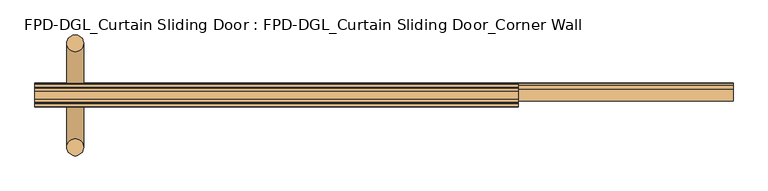
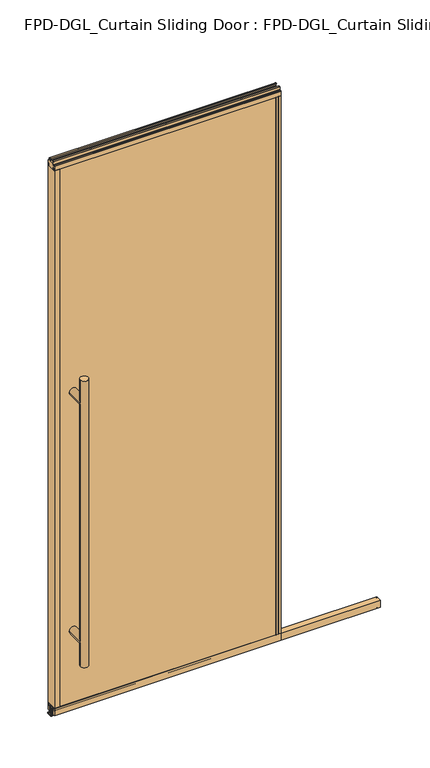
"""IFC4 building model written with IfcOpenShell, lengths in millimetres: door geometry, FPD-DGL_Curtain Sliding Door : FPD-DGL_Curtain Sliding Door_Corner Wall."""

import ifcopenshell
import ifcopenshell.guid

model = None  # the IFC model being written
_history = None  # IfcOwnerHistory: only IFC2X3 demands one
_inside = {}  # id of a spatial element -> (the spatial element, [elements in it])
_under = {}  # id of a project, library or spatial element -> (it, [spatial elements below it])
_declared = {}  # id of a project -> (the project, [libraries it declares])
_typed = {}  # id of a type object -> (the type object, [elements of that type])
_made_of = {}  # id of a material, layer set ... -> (it, [elements and type objects made of it])


def new_model(schema):
    """Start an empty IFC model of exactly this schema.

    Asked for "IFC4X3", IfcOpenShell would pick the latest addendum, in which some entities
    have other attributes; the version numbers below select the first issue.
    IFC2X3 requires an IfcOwnerHistory on every rooted entity: one is made here for all.
    """
    global model, _history
    if schema == "IFC4X3":
        model = ifcopenshell.file(schema_version=(4, 3, 0, 0))
    else:
        model = ifcopenshell.file(schema=schema)
    _inside.clear()
    _under.clear()
    _declared.clear()
    _typed.clear()
    _made_of.clear()
    _history = None
    if model.schema == "IFC2X3":
        org = make("IfcOrganization", Name="unknown")
        user = make(
            "IfcPersonAndOrganization",
            ThePerson=make("IfcPerson", FamilyName="unknown"),
            TheOrganization=org,
        )
        app = make(
            "IfcApplication",
            ApplicationDeveloper=org,
            Version="unknown",
            ApplicationFullName="unknown",
            ApplicationIdentifier="unknown",
        )
        _history = make(
            "IfcOwnerHistory",
            OwningUser=user,
            OwningApplication=app,
            ChangeAction="ADDED",
            CreationDate=0,
        )
    return model


def make(cls, **values):
    """One entity of the class cls with the attributes given. An attribute that is None is left unset."""
    return model.create_entity(
        cls, **{name: value for name, value in values.items() if value is not None}
    )


def rooted(cls, **values):
    """An entity with a GlobalId (a new one), such as an element, a storey or a relation."""
    return make(cls, GlobalId=ifcopenshell.guid.new(), OwnerHistory=_history, **values)


def si_unit(unit_type, name, prefix=None):
    """IfcSIUnit, for example si_unit("LENGTHUNIT", "METRE", prefix="MILLI")."""
    return make("IfcSIUnit", UnitType=unit_type, Prefix=prefix, Name=name)


def assignment(units):
    """IfcUnitAssignment: the units of a project."""
    return None if units is None else make("IfcUnitAssignment", Units=units)


def point(xyz):
    """IfcCartesianPoint."""
    return None if xyz is None else make("IfcCartesianPoint", Coordinates=xyz)


def direction(xyz):
    """IfcDirection."""
    return None if xyz is None else make("IfcDirection", DirectionRatios=xyz)


def frame(location, z_axis=None, x_axis=None):
    """IfcAxis2Placement3D, a coordinate frame: its origin and axes. An axis left out is left unset."""
    return make(
        "IfcAxis2Placement3D",
        Location=point(location),
        Axis=direction(z_axis),
        RefDirection=direction(x_axis),
    )


def frame_2d(location, x_axis=None):
    """IfcAxis2Placement2D, a coordinate frame in the plane: its origin and x axis."""
    return make(
        "IfcAxis2Placement2D", Location=point(location), RefDirection=direction(x_axis)
    )


def origin():
    """The frame at (0, 0, 0) with its axes left unset."""
    return frame((0.0, 0.0, 0.0))


def place(relative_to, where):
    """IfcLocalPlacement: puts the frame where relative to a parent placement (None: the world)."""
    return make(
        "IfcLocalPlacement", PlacementRelTo=relative_to, RelativePlacement=where
    )


def context(
    kind, dimensions, precision=None, world=None, true_north=None, identifier=None
):
    """IfcGeometricRepresentationContext, for example the 3D "Model" context."""
    return make(
        "IfcGeometricRepresentationContext",
        ContextIdentifier=identifier,
        ContextType=kind,
        CoordinateSpaceDimension=dimensions,
        Precision=precision,
        WorldCoordinateSystem=world,
        TrueNorth=true_north,
    )


def project(units=None, contexts=None):
    """IfcProject with its units and contexts."""
    return rooted(
        "IfcProject",
        Name="project",
        RepresentationContexts=contexts,
        UnitsInContext=assignment(units),
    )


def spatial(cls, under=None, at=None, **own):
    """A site, building, storey or space (cls), placed at a placement, below another one or the project."""
    s = rooted(cls, ObjectPlacement=at, **own)
    if under is not None:
        _under.setdefault(under.id(), (under, []))[1].append(s)
    return s


def polyline(points):
    """IfcPolyline through the points."""
    return make("IfcPolyline", Points=[point(p) for p in points])


def circle_curve(where, radius):
    """IfcCircle in the frame where."""
    return make("IfcCircle", Position=where, Radius=radius)


def ellipse_curve(where, semi_axis1, semi_axis2):
    """IfcEllipse in the frame where."""
    return make(
        "IfcEllipse", Position=where, SemiAxis1=semi_axis1, SemiAxis2=semi_axis2
    )


def trimmed(basis, trim1, trim2, sense, master):
    """IfcTrimmedCurve: the piece of a basis curve between two trims."""
    return make(
        "IfcTrimmedCurve",
        BasisCurve=basis,
        Trim1=trim1,
        Trim2=trim2,
        SenseAgreement=sense,
        MasterRepresentation=master,
    )


def segment(curve, same_sense, transition):
    """IfcCompositeCurveSegment."""
    return make(
        "IfcCompositeCurveSegment",
        Transition=transition,
        SameSense=same_sense,
        ParentCurve=curve,
    )


def composite_curve(segments, self_intersect=None):
    """IfcCompositeCurve: segments joined end to end."""
    return make("IfcCompositeCurve", Segments=segments, SelfIntersect=self_intersect)


def outline(outer, holes=None, kind="AREA"):
    """IfcArbitraryClosedProfileDef: a profile drawn as a closed curve; with holes, ...WithVoids."""
    if holes is None:
        return make("IfcArbitraryClosedProfileDef", ProfileType=kind, OuterCurve=outer)
    return make(
        "IfcArbitraryProfileDefWithVoids",
        ProfileType=kind,
        OuterCurve=outer,
        InnerCurves=holes,
    )


def extrude(swept, where, along, depth):
    """IfcExtrudedAreaSolid: the profile swept, set in the frame where, extruded along a direction by depth."""
    return make(
        "IfcExtrudedAreaSolid",
        SweptArea=swept,
        Position=where,
        ExtrudedDirection=direction(along),
        Depth=depth,
    )


def shape(context_of_items, identifier, shape_type, items):
    """IfcShapeRepresentation: the items that make up one representation, for example the "Body"."""
    return make(
        "IfcShapeRepresentation",
        ContextOfItems=context_of_items,
        RepresentationIdentifier=identifier,
        RepresentationType=shape_type,
        Items=items,
    )


def source(mapping_origin, context_of_items, identifier, shape_type, items):
    """IfcRepresentationMap: a shape defined once, which mapped items show again and again."""
    return make(
        "IfcRepresentationMap",
        MappingOrigin=mapping_origin,
        MappedRepresentation=shape(context_of_items, identifier, shape_type, items),
    )


def transform(
    local_origin,
    x_axis=None,
    y_axis=None,
    z_axis=None,
    scale=None,
    scale2=None,
    scale3=None,
    uniform=True,
):
    """IfcCartesianTransformationOperator3D, or its non-uniform kind. x_axis, y_axis, z_axis: its Axis1, 2, 3."""
    if uniform:
        return make(
            "IfcCartesianTransformationOperator3D",
            Axis1=direction(x_axis),
            Axis2=direction(y_axis),
            LocalOrigin=point(local_origin),
            Scale=scale,
            Axis3=direction(z_axis),
        )
    return make(
        "IfcCartesianTransformationOperator3DnonUniform",
        Axis1=direction(x_axis),
        Axis2=direction(y_axis),
        LocalOrigin=point(local_origin),
        Scale=scale,
        Axis3=direction(z_axis),
        Scale2=scale2,
        Scale3=scale3,
    )


def mapped(mapping_source, mapping_target):
    """IfcMappedItem: shows the shape of a source again, moved by a transform."""
    return make(
        "IfcMappedItem", MappingSource=mapping_source, MappingTarget=mapping_target
    )


def made_of(thing, what):
    """Note that an element or type object is made of a material, layer set ...; save() writes the relation."""
    if what is not None:
        _made_of.setdefault(what.id(), (what, []))[1].append(thing)
    return thing


def element(
    cls,
    number,
    at=None,
    inside=None,
    cuts=None,
    type_object=None,
    material=None,
    context=None,
    identifier="Body",
    shape_type=None,
    held_by="IfcProductDefinitionShape",
    body=None,
    shapes=None,
    **own,
):
    """One element of the class cls, such as IfcWall. Its Tag is "e" and its number.

    at: its placement. inside: the storey or other place that contains it. cuts: it is an
    opening in that element (IfcRelVoidsElement). A single representation is given by context,
    identifier, shape_type and body (its items); several are given by shapes. held_by: the class
    of the entity that holds the representations. save() writes the other relations.
    """
    e = rooted(cls, Tag="e%d" % number, ObjectPlacement=at, **own)
    if body is not None:
        shapes = [shape(context, identifier, shape_type, body)]
    if shapes is not None:
        e.Representation = make(held_by, Representations=shapes)
    if inside is not None:
        _inside.setdefault(inside.id(), (inside, []))[1].append(e)
    if cuts is not None:
        rooted(
            "IfcRelVoidsElement", RelatingBuildingElement=cuts, RelatedOpeningElement=e
        )
    if type_object is not None:
        _typed.setdefault(type_object.id(), (type_object, []))[1].append(e)
    return made_of(e, material)


def aggregate(whole, parts):
    """IfcRelAggregates: a whole, such as a stair, and the parts it consists of."""
    return rooted("IfcRelAggregates", RelatingObject=whole, RelatedObjects=parts)


def save(model, path):
    """Write the relations noted so far, then the file.

    IfcRelAggregates (storeys below a building ...), IfcRelContainedInSpatialStructure (elements
    in a storey), IfcRelDefinesByType, IfcRelAssociatesMaterial and IfcRelDeclares: one each for
    every whole, place, type object, material and project.
    """
    for whole, parts in _under.values():
        aggregate(whole, parts)
    for where, things in _inside.values():
        rooted(
            "IfcRelContainedInSpatialStructure",
            RelatedElements=things,
            RelatingStructure=where,
        )
    for kind, things in _typed.values():
        rooted("IfcRelDefinesByType", RelatedObjects=things, RelatingType=kind)
    for what, things in _made_of.values():
        rooted("IfcRelAssociatesMaterial", RelatedObjects=things, RelatingMaterial=what)
    for by, libraries in _declared.values():
        rooted("IfcRelDeclares", RelatingContext=by, RelatedDefinitions=libraries)
    model.write(path)


def plane_surface(at):
    """IfcPlane: the flat surface through the origin of the frame at, square to its z axis."""
    return make("IfcPlane", Position=at)


def cylinder_surface(at, radius):
    """IfcCylindricalSurface: all points at the distance radius from the z axis of the frame at."""
    return make("IfcCylindricalSurface", Position=at, Radius=radius)


def advanced_brep(points, edges, surfaces, faces):
    """IfcAdvancedBrep: a solid bounded by faces that lie on surfaces and meet in shared edges.

    An edge is (start, end): straight between two places in points (the first is 0);
    or (start, end, curve); or (start, end, curve, False) where it runs against its curve.
    A face is (place in surfaces, loops), or (place, loops, False) where it looks against
    its surface's normal. A loop lists edges by number (the first is 1), with a minus sign
    where the edge is run from its end to its start. The first loop is the outer one.
    """
    corners = [point(p) for p in points]
    vertices = [make("IfcVertexPoint", VertexGeometry=c) for c in corners]
    made = []
    for start, end, *more in edges:
        made.append(
            make(
                "IfcEdgeCurve",
                EdgeStart=vertices[start],
                EdgeEnd=vertices[end],
                EdgeGeometry=more[0] if more else make("IfcPolyline", Points=[corners[start], corners[end]]),
                SameSense=more[1] if len(more) > 1 else True,
            )
        )
    hull = []
    for where, loops, *sense in faces:
        bounds = []
        for j, loop in enumerate(loops):
            ring = [make("IfcOrientedEdge", EdgeElement=made[abs(k) - 1], Orientation=k > 0) for k in loop]
            bounds.append(
                make(
                    "IfcFaceOuterBound" if j == 0 else "IfcFaceBound",
                    Bound=make("IfcEdgeLoop", EdgeList=ring),
                    Orientation=True,
                )
            )
        hull.append(make("IfcAdvancedFace", Bounds=bounds, FaceSurface=surfaces[where], SameSense=sense[0] if sense else True))
    return make("IfcAdvancedBrep", Outer=make("IfcClosedShell", CfsFaces=hull))


def fpd_dgl_curtain_sliding_door_fpd_dgl_curtain_sliding_door_59b58023(model_context):
    return source(origin(), model_context, "Body", "SolidModel", [
        advanced_brep(
        [(-364.728125, 28.778049, 1473.2), (-396.478125, 28.778049, 1473.2), (-364.728125, -168.4469566, 1473.2), (-396.478125, -168.4469566, 1473.2), (-364.728125, 28.778049, 254.0), (-396.478125, 28.778049, 254.0), (-364.728125, -168.4469566, 254.0), (-396.478125, -168.4469566, 254.0), (-364.728125, 28.778049, 355.6), (-396.478125, 28.778049, 355.6), (-364.728125, 28.778049, 1371.6), (-396.478125, 28.778049, 1371.6), (-396.478125, -168.4469566, 1371.6), (-396.478125, -168.4469566, 355.6), (-364.728125, -168.4469566, 355.6), (-364.728125, -168.4469566, 1371.6)],
        [
            (0, 1, circle_curve(frame((-380.603125, 28.778049, 1473.2), z_axis=(0.0, 0.0, 1.0), x_axis=(-1.0, 0.0, 0.0)), 15.875)),
            (1, 0, circle_curve(frame((-380.603125, 28.778049, 1473.2), z_axis=(0.0, 0.0, 1.0), x_axis=(-1.0, 0.0, 0.0)), 15.875)),
            (2, 3, circle_curve(frame((-380.603125, -168.4469566, 1473.2), z_axis=(0.0, 0.0, 1.0), x_axis=(-1.0, 0.0, 0.0)), 15.875)),
            (3, 2, circle_curve(frame((-380.603125, -168.4469566, 1473.2), z_axis=(0.0, 0.0, 1.0), x_axis=(-1.0, 0.0, 0.0)), 15.875)),
            (4, 5, circle_curve(frame((-380.603125, 28.778049, 254.0), z_axis=(0.0, 0.0, -1.0), x_axis=(-1.0, 0.0, 0.0)), 15.875)),
            (5, 4, circle_curve(frame((-380.603125, 28.778049, 254.0), z_axis=(0.0, 0.0, -1.0), x_axis=(-1.0, 0.0, 0.0)), 15.875)),
            (6, 7, circle_curve(frame((-380.603125, -168.4469566, 254.0), z_axis=(0.0, 0.0, -1.0), x_axis=(-1.0, 0.0, 0.0)), 15.875)),
            (7, 6, circle_curve(frame((-380.603125, -168.4469566, 254.0), z_axis=(0.0, 0.0, -1.0), x_axis=(-1.0, 0.0, 0.0)), 15.875)),
            (4, 8),
            (8, 9, ellipse_curve(frame((-380.603125, 28.778049, 355.6), z_axis=(0.0, 0.7071067811865525, -0.7071067811865427), x_axis=(0.0, 0.7071067811865427, 0.7071067811865523)), 22.4506403, 15.875)),
            (9, 5),
            (10, 11, ellipse_curve(frame((-380.603125, 28.778049, 1371.6), z_axis=(0.0, 0.7071067811865427, -0.7071067811865525), x_axis=(0.0, 0.7071067811865525, 0.7071067811865425)), 22.4506403, 15.875)),
            (11, 9),
            (9, 8, ellipse_curve(frame((-380.603125, 28.778049, 355.6), z_axis=(0.0, 0.7071067811865427, 0.7071067811865525), x_axis=(0.0, -0.7071067811865525, 0.7071067811865425)), 22.4506403, 15.875)),
            (8, 10),
            (1, 11),
            (11, 10, ellipse_curve(frame((-380.603125, 28.778049, 1371.6), z_axis=(0.0, 0.7071067811865525, 0.7071067811865427), x_axis=(0.0, -0.7071067811865427, 0.7071067811865523)), 22.4506403, 15.875)),
            (10, 0),
            (3, 12),
            (12, 13),
            (13, 7),
            (6, 14),
            (14, 15),
            (15, 2),
            (15, 12, ellipse_curve(frame((-380.603125, -168.4469566, 1371.6), z_axis=(0.0, -0.7071067811865427, 0.7071067811865525), x_axis=(0.0, 0.7071067811865525, 0.7071067811865425)), 22.4506403, 15.875)),
            (13, 14, ellipse_curve(frame((-380.603125, -168.4469566, 355.6), z_axis=(0.0, -0.7071067811865427, -0.7071067811865525), x_axis=(0.0, -0.7071067811865525, 0.7071067811865425)), 22.4506403, 15.875)),
            (14, 13, ellipse_curve(frame((-380.603125, -168.4469566, 355.6), z_axis=(0.0, -0.7071067811865525, 0.7071067811865427), x_axis=(0.0, 0.7071067811865427, 0.7071067811865523)), 22.4506403, 15.875)),
            (12, 15, ellipse_curve(frame((-380.603125, -168.4469566, 1371.6), z_axis=(0.0, -0.7071067811865525, -0.7071067811865427), x_axis=(0.0, -0.7071067811865427, 0.7071067811865523)), 22.4506403, 15.875)),
            (10, 15),
            (12, 11),
            (8, 14),
            (13, 9),
        ],
        [
            plane_surface(frame((-281.4957243, -69.85, 1473.2), z_axis=(0.0, 0.0, 1.0), x_axis=(0.0, 1.0, 0.0))),
            plane_surface(frame((-281.4957243, -69.85, 254.0), z_axis=(0.0, 0.0, -1.0), x_axis=(0.0, 1.0, 0.0))),
            cylinder_surface(frame((-380.603125, 28.778049, 1473.2), z_axis=(0.0, 0.0, 1.0), x_axis=(-1.0, 0.0, 0.0)), 15.875),
            cylinder_surface(frame((-380.603125, -168.4469566, 1473.2), z_axis=(0.0, 0.0, 1.0), x_axis=(-1.0, 0.0, 0.0)), 15.875),
            cylinder_surface(frame((-380.603125, -168.4469566, 1371.6), z_axis=(0.0, 1.0, 0.0), x_axis=(1.0, 0.0, 0.0)), 15.875),
            cylinder_surface(frame((-380.603125, -69.85, 355.6), z_axis=(0.0, 1.0, 0.0), x_axis=(1.0, 0.0, 0.0)), 15.875),
        ],
        [
            (0, [[1, 2]]),
            (0, [[3, 4]]),
            (1, [[5, 6]]),
            (1, [[7, 8]]),
            (2, [[9, 10, 11, -5]]),
            (2, [[12, 13, 14, 15]]),
            (2, [[16, 17, 18, -2]]),
            (2, [[-18, -15, -9, -6, -11, -13, -16, -1]]),
            (3, [[19, 20, 21, -7, 22, 23, 24, -4]]),
            (3, [[-24, 25, -19, -3]]),
            (3, [[-21, 26, -22, -8]]),
            (3, [[27, -20, 28, -23]]),
            (4, [[-12, 29, -28, 30]]),
            (4, [[-25, -29, -17, -30]]),
            (5, [[-10, 31, -26, 32]]),
            (5, [[-27, -31, -14, -32]]),
        ],
    ),
        extrude(outline(composite_curve([segment(polyline([(-66.0369794, 1.1714386), (-66.0369794, 4.0416386)]), True, "CONTINUOUS"), segment(trimmed(circle_curve(frame_2d((-64.8685794, 4.0416386)), 1.1684), [point((-66.0369794, 4.0416386))], [point((-65.2836188, 5.1338386))], False, "CARTESIAN"), True, "CONTINUOUS"), segment(polyline([(-65.2836188, 5.1338386), (-62.5762294, 5.1338386), (-62.5762294, 4.3138948), (-65.2622794, 4.3138948), (-65.2622794, 0.7650387), (-46.7837797, 0.7650387), (-46.7837797, 4.4232339), (-49.7788569, 4.4232339), (-49.7788569, 5.2100386), (-47.1901797, 5.2100386)]), True, "CONTINUOUS"), segment(trimmed(circle_curve(frame_2d((-47.1901797, 4.0416386)), 1.1684), [point((-47.1901797, 5.2100386))], [point((-46.0217797, 4.0416386))], False, "CARTESIAN"), True, "CONTINUOUS"), segment(polyline([(-46.0217797, 4.0416386), (-46.0217797, 1.1714386)]), True, "CONTINUOUS"), segment(trimmed(circle_curve(frame_2d((-47.1901797, 1.1714386)), 1.1684), [point((-46.0217797, 1.1714386))], [point((-47.1901797, 0.0030387))], False, "CARTESIAN"), True, "CONTINUOUS"), segment(polyline([(-47.1901797, 0.0030387), (-64.8685794, 0.0030387)]), True, "CONTINUOUS"), segment(trimmed(circle_curve(frame_2d((-64.8685794, 1.1714386)), 1.1684), [point((-64.8685794, 0.0030387))], [point((-66.0369794, 1.1714386))], False, "CARTESIAN"), True, "CONTINUOUS")], self_intersect=False)), frame((-456.803125, 0.0, 0.0), z_axis=(1.0, 0.0, 0.0), x_axis=(0.0, 1.0, 0.0)), (0.0, 0.0, 1.0), 1320.00625),
        extrude(outline(composite_curve([segment(polyline([(-80.8146139, 41.6030387), (-58.9146141, 41.6030387), (-58.9146141, 11.6839647), (-60.414702, 11.6839647), (-60.414702, 39.1709995)]), True, "CONTINUOUS"), segment(trimmed(circle_curve(frame_2d((-61.3469627, 39.1709995)), 0.9322606), [point((-60.414702, 39.1709995))], [point((-61.3469627, 40.1032601))], True, "CARTESIAN"), True, "CONTINUOUS"), segment(polyline([(-61.3469627, 40.1032601), (-66.4357402, 40.1032601)]), True, "CONTINUOUS"), segment(trimmed(circle_curve(frame_2d((-66.4357402, 39.1243868)), 0.9788733), [point((-66.4357402, 40.1032601))], [point((-67.4146135, 39.1243868))], True, "CARTESIAN"), True, "CONTINUOUS"), segment(polyline([(-67.4146135, 39.1243868), (-67.4146135, 11.6839647), (-69.0146138, 11.6839647), (-69.0146138, 33.5017657), (-70.4044462, 33.5017657), (-70.4044462, 34.3040626), (-69.0146138, 34.3040626), (-69.0146138, 35.6040627), (-79.8146139, 35.6040627), (-79.8146139, 34.3040626), (-78.4247815, 34.3040626), (-78.4247815, 33.5017657), (-79.8146139, 33.5017657), (-79.8146139, 11.6839647), (-80.8146139, 11.6839647), (-80.8146139, 41.6030387)]), True, "CONTINUOUS")], self_intersect=False)), frame((-456.803125, 0.0, 0.0), z_axis=(1.0, 0.0, 0.0), x_axis=(0.0, 1.0, 0.0)), (0.0, 0.0, 1.0), 1320.00625),
        extrude(outline(composite_curve([segment(polyline([(-55.5258097, 48.6471016), (-55.5258097, 47.6299627), (-56.8928229, 47.6299627), (-56.8928229, 41.3613764)]), True, "CONTINUOUS"), segment(trimmed(circle_curve(frame_2d((-54.577348, 41.3613764)), 2.3154748), [point((-56.8928229, 41.3613764))], [point((-54.577348, 39.0459016))], True, "CARTESIAN"), True, "CONTINUOUS"), segment(polyline([(-54.577348, 39.0459016), (-49.5896246, 39.0522555)]), True, "CONTINUOUS"), segment(trimmed(circle_curve(frame_2d((-49.687823, 39.8079016)), 0.762), [point((-49.5896246, 39.0522555))], [point((-48.925823, 39.8079016))], True, "CARTESIAN"), True, "CONTINUOUS"), segment(polyline([(-48.925823, 39.8079016), (-48.925823, 48.6471016), (-47.6258255, 48.6471016), (-47.6258255, 19.0059017), (-56.7472378, 19.0059017), (-56.7472378, 15.875), (-58.6515279, 15.875), (-58.6515279, 47.0470737), (-81.0484721, 47.0470737), (-81.0484721, 15.875), (-82.9527622, 15.875), (-82.9527622, 19.0059017), (-92.0741745, 19.0059017), (-92.0741745, 48.6471016), (-90.774177, 48.6471016), (-90.774177, 39.8079016)]), True, "CONTINUOUS"), segment(trimmed(circle_curve(frame_2d((-90.012177, 39.8079016)), 0.762), [point((-90.774177, 39.8079016))], [point((-90.1103754, 39.0522555))], True, "CARTESIAN"), True, "CONTINUOUS"), segment(polyline([(-90.1103754, 39.0522555), (-85.122652, 39.0459016)]), True, "CONTINUOUS"), segment(trimmed(circle_curve(frame_2d((-85.122652, 41.3613764)), 2.3154748), [point((-85.122652, 39.0459016))], [point((-82.8071771, 41.3613764))], True, "CARTESIAN"), True, "CONTINUOUS"), segment(polyline([(-82.8071771, 41.3613764), (-82.8071771, 47.6299627), (-84.1741903, 47.6299627), (-84.1741903, 48.6471016), (-55.5258097, 48.6471016)]), True, "CONTINUOUS")], self_intersect=False)), frame((-456.803125, 0.0, 0.0), z_axis=(1.0, 0.0, 0.0), x_axis=(0.0, 1.0, 0.0)), (0.0, 0.0, 1.0), 913.60625),
        extrude(outline(composite_curve([segment(polyline([(-61.4500175, 2373.0296458), (-56.4453412, 2373.0296458)]), True, "CONTINUOUS"), segment(trimmed(circle_curve(frame_2d((-56.4453412, 2372.4343333)), 0.5953125), [point((-56.4453412, 2373.0296458))], [point((-55.8500287, 2372.4343333))], False, "CARTESIAN"), True, "CONTINUOUS"), segment(polyline([(-55.8500287, 2372.4343333), (-55.8500287, 2361.0663318)]), True, "CONTINUOUS"), segment(trimmed(circle_curve(frame_2d((-53.9309248, 2361.0663318)), 1.919104), [point((-55.8500287, 2361.0663318))], [point((-53.9309248, 2359.1472278))], True, "CARTESIAN"), True, "CONTINUOUS"), segment(polyline([(-53.9309248, 2359.1472278), (-48.4250432, 2359.1472278)]), True, "CONTINUOUS"), segment(trimmed(circle_curve(frame_2d((-48.4250432, 2358.3472293)), 0.7999985), [point((-48.4250432, 2359.1472278))], [point((-47.6250446, 2358.3472293))], False, "CARTESIAN"), True, "CONTINUOUS"), segment(polyline([(-47.6250446, 2358.3472293), (-47.6250446, 2339.4622278), (-48.9250423, 2339.4622278), (-48.9250423, 2349.5622078)]), True, "CONTINUOUS"), segment(trimmed(circle_curve(frame_2d((-49.4250413, 2349.5622078)), 0.499999), [point((-48.9250423, 2349.5622078))], [point((-49.4250413, 2350.0622068))], True, "CARTESIAN"), True, "CONTINUOUS"), segment(polyline([(-49.4250413, 2350.0622068), (-55.5250289, 2350.0622068), (-55.5250289, 2339.4622278), (-84.1749714, 2339.4622278), (-84.1749714, 2350.0622068), (-90.2749587, 2350.0622068)]), True, "CONTINUOUS"), segment(trimmed(circle_curve(frame_2d((-90.2749587, 2349.5622078)), 0.499999), [point((-90.2749587, 2350.0622068))], [point((-90.7749577, 2349.5622078))], True, "CARTESIAN"), True, "CONTINUOUS"), segment(polyline([(-90.7749577, 2349.5622078), (-90.7749577, 2339.4622278), (-92.0749551, 2339.4622278), (-92.0749551, 2358.3472293)]), True, "CONTINUOUS"), segment(trimmed(circle_curve(frame_2d((-91.2749567, 2358.3472293)), 0.7999984), [point((-92.0749551, 2358.3472293))], [point((-91.2749567, 2359.1472277))], False, "CARTESIAN"), True, "CONTINUOUS"), segment(polyline([(-91.2749567, 2359.1472277), (-85.7690752, 2359.1472277)]), True, "CONTINUOUS"), segment(trimmed(circle_curve(frame_2d((-85.7690752, 2361.0663317)), 1.919104), [point((-85.7690752, 2359.1472277))], [point((-83.8499713, 2361.0663317))], True, "CARTESIAN"), True, "CONTINUOUS"), segment(polyline([(-83.8499713, 2361.0663317), (-83.8499713, 2372.4343333)]), True, "CONTINUOUS"), segment(trimmed(circle_curve(frame_2d((-83.2546588, 2372.4343333)), 0.5953125), [point((-83.8499713, 2372.4343333))], [point((-83.2546588, 2373.0296458))], False, "CARTESIAN"), True, "CONTINUOUS"), segment(polyline([(-83.2546588, 2373.0296458), (-78.2499825, 2373.0296458), (-78.2499825, 2371.0296498), (-81.8499752, 2371.0296498), (-81.8499752, 2362.5296668)]), True, "CONTINUOUS"), segment(trimmed(circle_curve(frame_2d((-81.3499762, 2362.5296668)), 0.499999), [point((-81.8499752, 2362.5296668))], [point((-81.3499762, 2362.0296678))], True, "CARTESIAN"), True, "CONTINUOUS"), segment(polyline([(-81.3499762, 2362.0296678), (-58.3500238, 2362.0296678)]), True, "CONTINUOUS"), segment(trimmed(circle_curve(frame_2d((-58.3500238, 2362.5296668)), 0.499999), [point((-58.3500238, 2362.0296678))], [point((-57.8500248, 2362.5296668))], True, "CARTESIAN"), True, "CONTINUOUS"), segment(polyline([(-57.8500248, 2362.5296668), (-57.8500248, 2371.0296498), (-61.4500175, 2371.0296498), (-61.4500175, 2373.0296458)]), True, "CONTINUOUS")], self_intersect=False)), frame((-456.803125, 0.0, 0.0), z_axis=(1.0, 0.0, 0.0), x_axis=(0.0, 1.0, 0.0)), (0.0, 0.0, 1.0), 913.60625),
        extrude(outline(polyline([(446.8662761, -90.7765993), (-446.8662761, -90.7765993), (-446.8662761, -84.175), (446.8662761, -84.175), (446.8662761, -90.7765993)])), frame((0.0, 0.0, 39.1580021), z_axis=(0.0, 0.0, 1.0), x_axis=(1.0, 0.0, 0.0)), (0.0, 0.0, 1.0), 2310.6376625),
        extrude(outline(polyline([(-446.8662761, -55.525), (-446.8662761, -48.9234007), (446.8662761, -48.9234007), (446.8662761, -55.525), (-446.8662761, -55.525)])), frame((0.0, 0.0, 39.1580021), z_axis=(0.0, 0.0, 1.0), x_axis=(1.0, 0.0, 0.0)), (0.0, 0.0, 1.0), 2310.6376625),
        extrude(outline(composite_curve([segment(polyline([(-456.803125, -92.075), (-456.803125, -47.625), (-436.2662761, -47.625), (-436.2662761, -48.9234), (-446.3370824, -48.9234)]), True, "CONTINUOUS"), segment(trimmed(circle_curve(frame_2d((-446.3370824, -49.4525937)), 0.5291937), [point((-446.3370824, -48.9234))], [point((-446.8662761, -49.4525937))], True, "CARTESIAN"), True, "CONTINUOUS"), segment(polyline([(-446.8662761, -49.4525937), (-446.8662761, -51.4096), (-448.0662759, -51.4096), (-448.0662759, -48.9298), (-454.9997249, -48.9298), (-454.9997249, -60.604802), (-448.0662759, -60.604802), (-448.0662759, -55.525), (-436.2662761, -55.525), (-436.2662761, -84.175), (-448.0662759, -84.175), (-448.0662759, -79.095198), (-454.9997249, -79.095198), (-454.9997249, -90.7702), (-448.0662759, -90.7702), (-448.0662759, -88.2904), (-446.8662761, -88.2904), (-446.8662761, -90.2685993)]), True, "CONTINUOUS"), segment(trimmed(circle_curve(frame_2d((-446.3582761, -90.2685993)), 0.508), [point((-446.8662761, -90.2685993))], [point((-446.3582761, -90.7765993))], True, "CARTESIAN"), True, "CONTINUOUS"), segment(polyline([(-446.3582761, -90.7765993), (-436.2662761, -90.7765993), (-436.2662761, -92.075), (-456.803125, -92.075)]), True, "CONTINUOUS")], self_intersect=False)), frame((0.0, 0.0, 48.6471016), z_axis=(0.0, 0.0, 1.0), x_axis=(1.0, 0.0, 0.0)), (0.0, 0.0, 1.0), 2290.8151262),
        extrude(outline(composite_curve([segment(polyline([(456.803125, -92.075), (436.2662761, -92.075), (436.2662761, -90.7765993), (446.3582761, -90.7765993)]), True, "CONTINUOUS"), segment(trimmed(circle_curve(frame_2d((446.3582761, -90.2685993)), 0.508), [point((446.3582761, -90.7765993))], [point((446.8662761, -90.2685993))], True, "CARTESIAN"), True, "CONTINUOUS"), segment(polyline([(446.8662761, -90.2685993), (446.8662761, -88.2904), (448.0662759, -88.2904), (448.0662759, -90.7702), (454.9997249, -90.7702), (454.9997249, -79.095198), (448.0662759, -79.095198), (448.0662759, -84.175), (436.2662761, -84.175), (436.2662761, -55.525), (448.0662759, -55.525), (448.0662759, -60.604802), (454.9997249, -60.604802), (454.9997249, -48.9298), (448.0662759, -48.9298), (448.0662759, -51.4096), (446.8662761, -51.4096), (446.8662761, -49.4525937)]), True, "CONTINUOUS"), segment(trimmed(circle_curve(frame_2d((446.3370824, -49.4525937)), 0.5291937), [point((446.8662761, -49.4525937))], [point((446.3370824, -48.9234))], True, "CARTESIAN"), True, "CONTINUOUS"), segment(polyline([(446.3370824, -48.9234), (436.266276, -48.9234), (436.266276, -47.625), (456.803125, -47.625), (456.803125, -92.075)]), True, "CONTINUOUS")], self_intersect=False)), frame((0.0, 0.0, 48.6471016), z_axis=(0.0, 0.0, 1.0), x_axis=(1.0, 0.0, 0.0)), (0.0, 0.0, 1.0), 2290.8151262),
    ])


if __name__ == "__main__":
    model = new_model("IFC4")
    model_context = context("Model", 3, world=origin())
    ifc_project = project(units=[si_unit("LENGTHUNIT", "METRE", prefix="MILLI")], contexts=[model_context])
    site = spatial("IfcSite", under=ifc_project)
    building = spatial("IfcBuilding", under=site)
    placement = place(None, origin())
    fpd_dgl_curtain_sliding_door_fpd_dgl_curtain_sliding_door_shape = fpd_dgl_curtain_sliding_door_fpd_dgl_curtain_sliding_door_59b58023(model_context)
    element("IfcDoor", 1, ObjectType="FPD-DGL_Curtain Sliding Door : FPD-DGL_Curtain Sliding Door_Corner Wall", at=placement, inside=building, context=model_context, shape_type="MappedRepresentation", body=[
        mapped(fpd_dgl_curtain_sliding_door_fpd_dgl_curtain_sliding_door_shape, transform((0.0, 0.0, 0.0), x_axis=(1.0, 0.0, 0.0), y_axis=(0.0, 1.0, 0.0), z_axis=(0.0, 0.0, 1.0))),
    ])
    save(model, "model.ifc")
